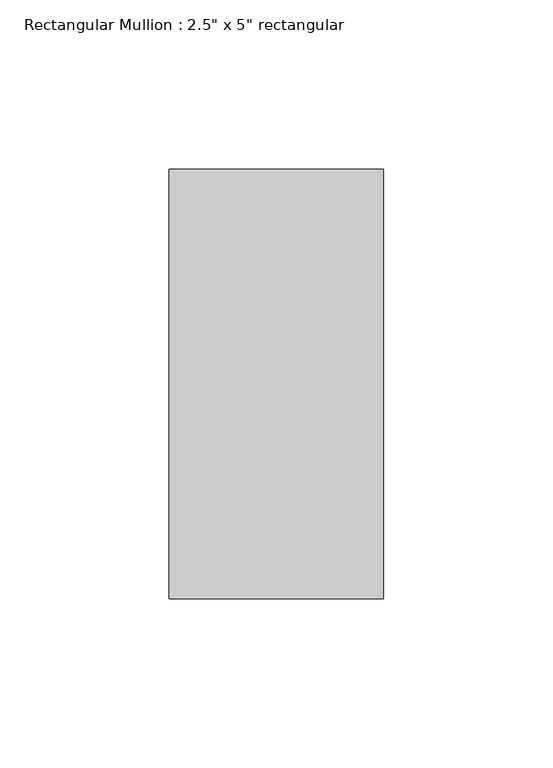
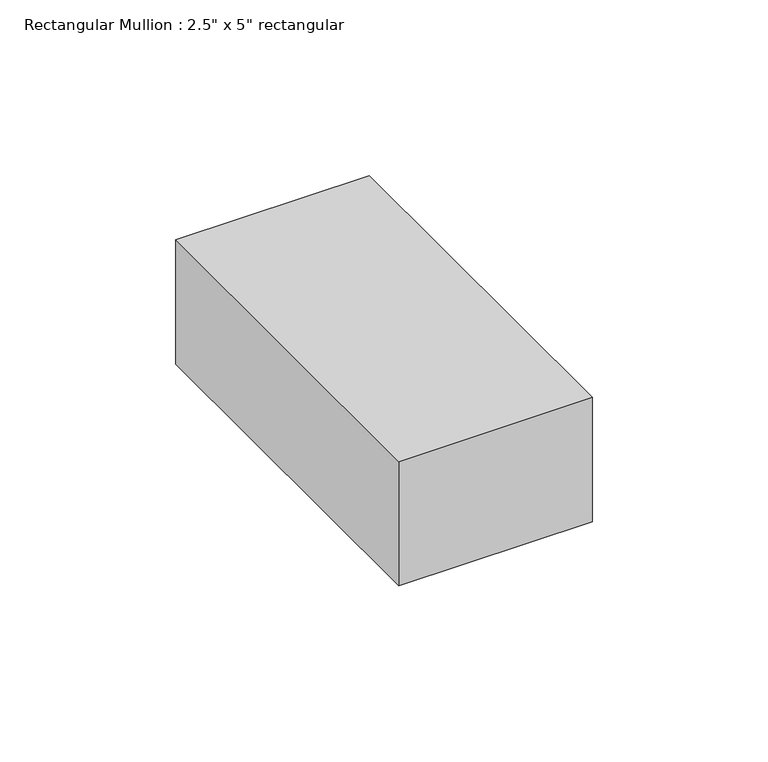
"""IFC4 building model written with IfcOpenShell, lengths in millimetres: member geometry."""

from ifc_helpers import new_model, si_unit, frame, origin, place, context, project, spatial, polyline, outline, extrude, source, transform, mapped, element, save


def member_c1867450(model_context):
    return source(origin(), model_context, "Body", "SweptSolid", [
        extrude(outline(polyline([(0.0, 63.5), (0.0, -63.5), (-63.5, -63.5), (-63.5, 63.5), (0.0, 63.5)])), frame((0.0, 0.0, -43.2), z_axis=(0.0, 0.0, 1.0), x_axis=(1.0, 0.0, 0.0)), (0.0, 0.0, 1.0), 43.2),
    ])


if __name__ == "__main__":
    model = new_model("IFC4")
    model_context = context("Model", 3, world=origin())
    ifc_project = project(units=[si_unit("LENGTHUNIT", "METRE", prefix="MILLI")], contexts=[model_context])
    site = spatial("IfcSite", under=ifc_project)
    building = spatial("IfcBuilding", under=site)
    placement = place(None, origin())
    member_shape = member_c1867450(model_context)
    element("IfcMember", 1, ObjectType="Rectangular Mullion : 2.5\" x 5\" rectangular", at=placement, inside=building, context=model_context, shape_type="MappedRepresentation", body=[
        mapped(member_shape, transform((0.0, 0.0, 0.0), x_axis=(1.0, 0.0, 0.0), y_axis=(0.0, 1.0, 0.0), z_axis=(0.0, 0.0, 1.0))),
    ])
    save(model, "model.ifc")
